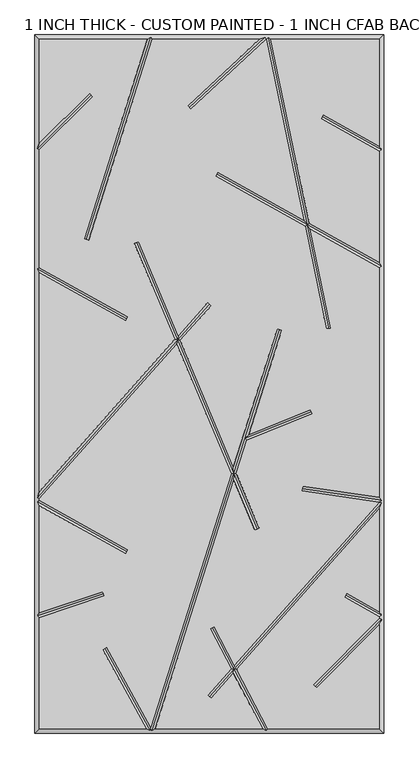
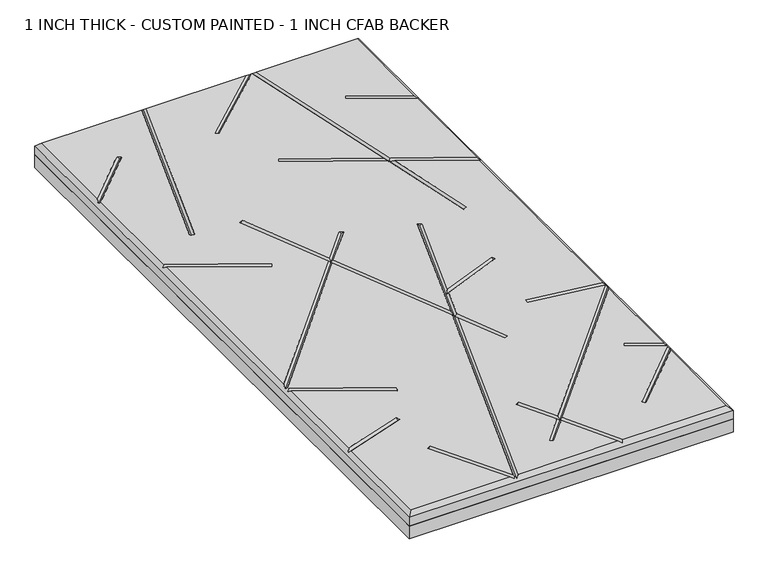
"""IFC4 building model written with IfcOpenShell, lengths in millimetres: proxy geometry, 1 INCH THICK - CUSTOM PAINTED - 1 INCH CFAB BACKER."""

from ifc_helpers import new_model, si_unit, frame, origin, place, context, project, spatial, polyline, outline, extrude, faceted_brep, source, transform, mapped, element, save


def proxy_1_inch_thick_custom_painted_1_inch_cfab_backer_7f1526dc(model_context):
    return source(origin(), model_context, "Body", "SolidModel", [
        extrude(outline(polyline([(-304.8, 609.6), (304.8, 609.6), (304.8, -609.6), (-304.8, -609.6), (-304.8, 609.6)])), frame((0.0, 0.0, -25.4), z_axis=(0.0, 0.0, 1.0), x_axis=(1.0, 0.0, 0.0)), (0.0, 0.0, 1.0), 25.4),
        faceted_brep([(-296.799, 601.599, 25.4), (-296.799, 420.0585614, 25.4), (-209.465267, 507.3922944, 25.4), (-203.8077056, 501.734733, 25.4), (-296.799, 408.7434386, 25.4), (-296.799, 203.3118869, 25.4), (-142.5916835, 117.1439143, 25.4), (-146.4945108, 110.1593642, 25.4), (-296.799, 194.1465147, 25.4), (-296.799, -188.1783655, 25.4), (-60.414797, 77.7314881, 25.4), (-130.9100687, 245.4965414, 25.4), (-123.5338229, 248.5960573, 25.4), (-54.5217155, 84.360647, 25.4), (-2.9898999, 142.3290618, 25.4), (2.9898999, 137.0132369, 25.4), (-51.0856167, 76.1833992, 25.4), (41.8198404, -144.9135422, 25.4), (118.4676512, 96.3670459, 25.4), (126.0931354, 93.9446518, 25.4), (68.2308495, -88.200751, 25.4), (176.389257, -44.7967941, 25.4), (179.3690728, -52.2222031, 25.4), (65.0919979, -98.0815805, 25.4), (46.6006106, -156.2908465, 25.4), (86.8913986, -252.1750957, 25.4), (79.5151528, -255.2746116, 25.4), (42.86425, -168.0525821, 25.4), (-94.8608114, -601.599, 25.4), (92.8718763, -601.599, 25.4), (41.9909547, -504.8565668, 25.4), (2.9898999, -548.7290618, 25.4), (-2.9898999, -543.4132369, 25.4), (38.011603, -497.2904271, 25.4), (1.2803392, -427.4514438, 25.4), (8.3616601, -423.7270787, 25.4), (43.691373, -490.9012234, 25.4), (296.799, -206.1791008, 25.4), (161.5180376, -186.5574472, 25.4), (162.66123, -178.6385386, 25.4), (296.799, -198.0029854, 25.4), (296.799, 203.0881131, 25.4), (176.1280645, 270.5166249, 25.4), (212.0312358, 97.6915725, 25.4), (204.1974911, 96.064168, 25.4), (166.8830535, 275.6825527, 25.4), (10.5996532, 363.0105994, 25.4), (14.5024805, 369.9951496, 25.4), (164.7289602, 286.0515892, 25.4), (99.1762375, 601.599, 25.4), (98.8402099, 601.599, 25.4), (-32.7718055, 479.8900914, 25.4), (-38.2040457, 485.7643375, 25.4), (87.055753, 601.599, 25.4), (-99.9441805, 601.599, 25.4), (-211.1838045, 251.4264167, 25.4), (-218.8092886, 253.8488108, 25.4), (-108.3391886, 601.599, 25.4), (101.9119977, -601.599, 25.4), (296.799, -601.599, 25.4), (296.799, -420.1587392, 25.4), (187.3700731, -530.5992999, 25.4), (181.6865411, -524.967829, 25.4), (296.799, -408.7911939, 25.4), (296.799, -406.5118869, 25.4), (236.129826, -372.6111626, 25.4), (240.0326533, -365.6266125, 25.4), (296.799, -397.3465147, 25.4), (296.799, -218.2216345, 25.4), (47.6707247, -498.4673632, 25.4), (173.9739712, 280.8856615, 25.4), (296.799, 212.2534853, 25.4), (296.799, 406.2881131, 25.4), (194.792886, 463.287095, 25.4), (198.6957133, 470.2716451, 25.4), (296.799, 415.4534853, 25.4), (296.799, 601.599, 25.4), (107.3480638, 601.599, 25.4), (38.0834798, -156.6752779, 25.4), (-56.9786982, 69.5542403, 25.4), (-296.799, -200.2208992, 25.4), (-296.799, -203.0881131, 25.4), (-142.5916835, -289.2560857, 25.4), (-146.4945108, -296.2406358, 25.4), (-296.799, -212.2534853, 25.4), (-296.799, -399.4880331, 25.4), (-186.4041101, -362.3555047, 25.4), (-183.8533173, -369.9390037, 25.4), (-296.799, -407.9295192, 25.4), (-296.799, -601.599, 25.4), (-110.5588891, -601.599, 25.4), (-186.2344077, -463.8225395, 25.4), (-179.2216231, -459.970676, 25.4), (-102.5869372, -599.4934169, 25.4), (-304.8, 609.6, 0.0), (304.8, 609.6, 0.0), (304.8, -609.6, 0.0), (-304.8, -609.6, 0.0), (-304.8, -609.6, 17.399), (-304.8, 609.6, 17.399), (304.8, -609.6, 17.399), (304.8, 609.6, 17.399), (-102.8708423, 605.5995, 21.3995), (97.2739907, 605.5995, 21.3995), (102.4310753, 605.5995, 21.3995), (-300.7995, -405.0543881, 21.3995), (-300.7995, -205.4353996, 21.3995), (-300.7995, -198.6998162, 21.3995), (-300.7995, 200.9646004, 21.3995), (-300.7995, 410.4005, 21.3995), (99.4959685, -605.5995, 21.3995), (-100.3291577, -605.5995, 21.3995), (-102.246608, -602.9785071, 24.0204929), (-103.7973268, -605.5995, 21.3995), (300.7995, 408.6353996, 21.3995), (300.7995, 205.4353996, 21.3995), (300.7995, -202.6224783, 21.3995), (300.7995, -207.7001838, 21.3995), (300.7995, -404.1646004, 21.3995), (300.7995, -410.4374833, 21.3995), (-206.6364863, 504.5635137, 21.3995), (-214.9965466, 252.6376137, 21.3995), (-144.5430971, 113.6516392, 21.3995), (12.5510669, 366.5028745, 21.3995), (170.4285124, 278.2841071, 21.3995), (-35.4879256, 482.8272145, 21.3995), (208.1143635, 96.8778703, 21.3995), (196.7442997, 466.77937, 21.3995), (122.2803933, 95.1558489, 21.3995), (42.3420452, -156.4830622, 21.3995), (61.850634, -95.0717351, 21.3995), (83.2032757, -253.7248536, 21.3995), (-127.2219458, 247.0462994, 21.3995), (-55.7502068, 76.9574436, 21.3995), (0.0, 139.6711493, 21.3995), (-185.1287137, -366.1472542, 21.3995), (-144.5430971, -292.7483608, 21.3995), (-182.7280154, -461.8966077, 21.3995), (4.8209997, -425.5892613, 21.3995), (42.8411639, -497.8788951, 21.3995), (184.5283071, -527.7835644, 21.3995), (238.0812397, -369.1188875, 21.3995), (0.0, -546.0711493, 21.3995), (162.0896338, -182.5979929, 21.3995), (177.8791649, -48.5094986, 21.3995)], [[[0, 1, 2, 3, 4, 5, 6, 7, 8, 9, 10, 11, 12, 13, 14, 15, 16, 17, 18, 19, 20, 21, 22, 23, 24, 25, 26, 27, 28, 29, 30, 31, 32, 33, 34, 35, 36, 37, 38, 39, 40, 41, 42, 43, 44, 45, 46, 47, 48, 49, 50, 51, 52, 53, 54, 55, 56, 57]], [[58, 59, 60, 61, 62, 63, 64, 65, 66, 67, 68, 69]], [[70, 71, 72, 73, 74, 75, 76, 77]], [[78, 79, 80, 81, 82, 83, 84, 85, 86, 87, 88, 89, 90, 91, 92, 93]], [[94, 95, 96, 97]], [[94, 97, 98, 99]], [[97, 96, 100, 98]], [[96, 95, 101, 100]], [[95, 94, 99, 101]], [[99, 0, 57, 102, 54, 53, 103, 50, 49, 104, 77, 76, 101]], [[0, 99, 98, 89, 88, 105, 85, 84, 106, 81, 80, 107, 9, 8, 108, 5, 4, 109, 1]], [[89, 98, 100, 59, 58, 110, 29, 28, 111, 112, 113, 90]], [[101, 76, 75, 114, 72, 71, 115, 41, 40, 116, 37, 117, 68, 67, 118, 64, 63, 119, 60, 59, 100]], [[2, 120, 3]], [[120, 2, 1, 109]], [[3, 120, 109, 4]], [[55, 121, 56]], [[121, 55, 54, 102]], [[56, 121, 102, 57]], [[6, 122, 7]], [[122, 6, 5, 108]], [[7, 122, 108, 8]], [[46, 123, 47]], [[41, 115, 124, 42]], [[123, 46, 45, 124]], [[115, 71, 70, 124]], [[47, 123, 124, 48]], [[51, 125, 52]], [[125, 51, 50, 103]], [[52, 125, 103, 53]], [[43, 126, 44]], [[44, 126, 124, 45]], [[124, 104, 49, 48]], [[126, 43, 42, 124]], [[104, 124, 70, 77]], [[73, 127, 74]], [[127, 73, 72, 114]], [[74, 127, 114, 75]], [[18, 128, 19]], [[111, 28, 27, 129]], [[19, 128, 130, 20]], [[129, 24, 23, 130]], [[128, 18, 17, 129, 130]], [[111, 129, 78, 93, 112]], [[25, 131, 26]], [[11, 132, 12]], [[78, 129, 133, 79]], [[26, 131, 129, 27]], [[132, 11, 10, 133]], [[129, 17, 16, 133]], [[131, 25, 24, 129]], [[12, 132, 133, 13]], [[14, 134, 15]], [[134, 14, 13, 133]], [[107, 133, 10, 9]], [[15, 134, 133, 16]], [[133, 107, 80, 79]], [[86, 135, 87]], [[135, 86, 85, 105]], [[87, 135, 105, 88]], [[82, 136, 83]], [[83, 136, 106, 84]], [[136, 82, 81, 106]], [[91, 137, 92]], [[137, 91, 90, 113]], [[92, 137, 113, 112, 93]], [[34, 138, 35]], [[29, 110, 139, 30]], [[138, 34, 33, 139]], [[110, 58, 69, 139]], [[35, 138, 139, 36]], [[61, 140, 62]], [[62, 140, 119, 63]], [[140, 61, 60, 119]], [[65, 141, 66]], [[141, 65, 64, 118]], [[66, 141, 118, 67]], [[31, 142, 32]], [[32, 142, 139, 33]], [[139, 117, 37, 36]], [[142, 31, 30, 139]], [[117, 139, 69, 68]], [[38, 143, 39]], [[143, 38, 37, 116]], [[39, 143, 116, 40]], [[21, 144, 22]], [[144, 21, 20, 130]], [[22, 144, 130, 23]]]),
    ])


if __name__ == "__main__":
    model = new_model("IFC4")
    model_context = context("Model", 3, world=origin())
    ifc_project = project(units=[si_unit("LENGTHUNIT", "METRE", prefix="MILLI")], contexts=[model_context])
    site = spatial("IfcSite", under=ifc_project)
    building = spatial("IfcBuilding", under=site)
    placement = place(None, origin())
    proxy_1_inch_thick_custom_painted_1_inch_cfab_backer_shape = proxy_1_inch_thick_custom_painted_1_inch_cfab_backer_7f1526dc(model_context)
    element("IfcBuildingElementProxy", 1, Name="1 INCH THICK - CUSTOM PAINTED - 1 INCH CFAB BACKER", ObjectType="1 INCH THICK - CUSTOM PAINTED - 1 INCH CFAB BACKER", at=placement, inside=building, context=model_context, shape_type="MappedRepresentation", body=[
        mapped(proxy_1_inch_thick_custom_painted_1_inch_cfab_backer_shape, transform((0.0, 0.0, 0.0), x_axis=(1.0, 0.0, 0.0), y_axis=(0.0, 1.0, 0.0), z_axis=(0.0, 0.0, 1.0))),
    ])
    save(model, "model.ifc")
